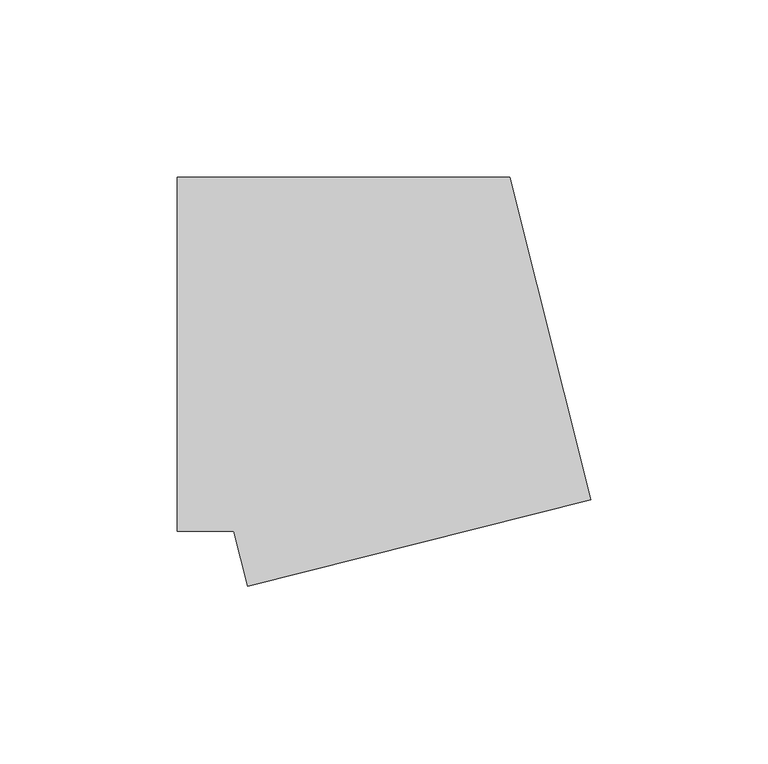
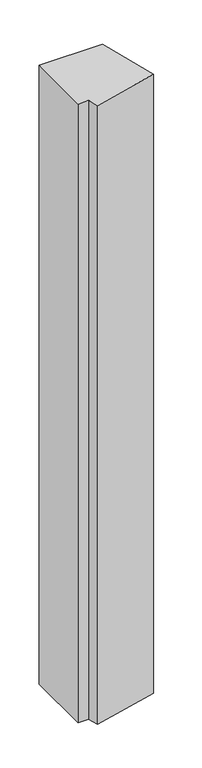
"""IFC4 building model written with IfcOpenShell, lengths in millimetres: member geometry."""

from ifc_helpers import new_model, si_unit, frame, origin, place, context, project, spatial, polyline, outline, extrude, source, transform, mapped, element, save


def member_5891bd63(model_context):
    return source(origin(), model_context, "Body", "SweptSolid", [
        extrude(outline(polyline([(-35.0815741, -65.5307802), (-38.9859628, -50.0), (-55.0, -50.0), (-55.0, 50.0), (38.9859628, 50.0), (61.9007176, -41.1497407), (-35.0815741, -65.5307802)])), frame((0.0, 0.0, -967.0), z_axis=(0.0, 0.0, 1.0), x_axis=(1.0, 0.0, 0.0)), (0.0, 0.0, 1.0), 967.0),
    ])


if __name__ == "__main__":
    model = new_model("IFC4")
    model_context = context("Model", 3, world=origin())
    ifc_project = project(units=[si_unit("LENGTHUNIT", "METRE", prefix="MILLI")], contexts=[model_context])
    site = spatial("IfcSite", under=ifc_project)
    building = spatial("IfcBuilding", under=site)
    placement = place(None, origin())
    member_shape = member_5891bd63(model_context)
    element("IfcMember", 1, at=placement, inside=building, context=model_context, shape_type="MappedRepresentation", body=[
        mapped(member_shape, transform((0.0, 0.0, 0.0), x_axis=(1.0, 0.0, 0.0), y_axis=(0.0, 1.0, 0.0), z_axis=(0.0, 0.0, 1.0))),
    ])
    save(model, "model.ifc")
